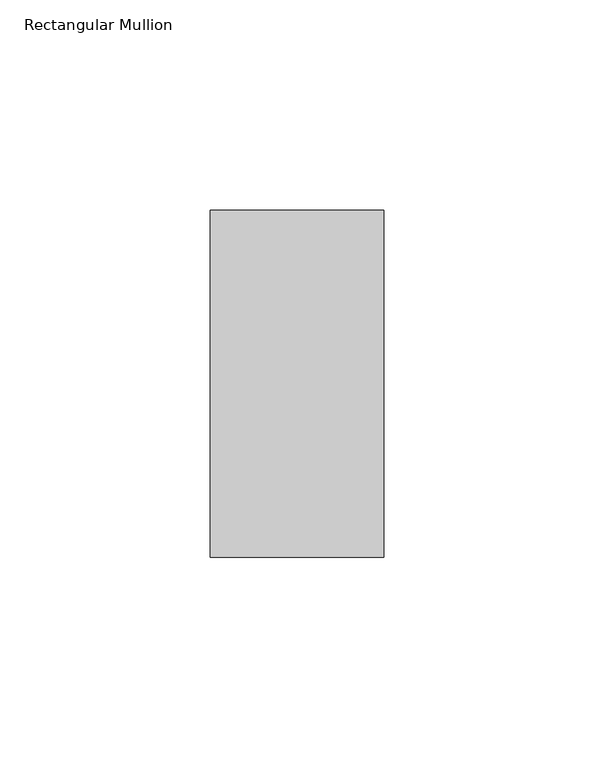
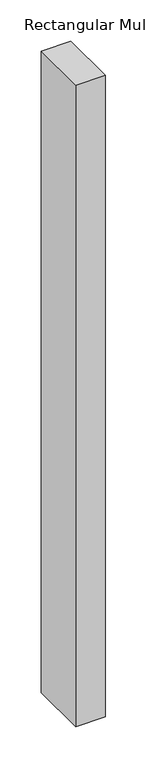
"""IFC4 building model written with IfcOpenShell, lengths in millimetres: member geometry, Rectangular Mullion."""

from ifc_helpers import new_model, si_unit, frame, origin, place, context, project, spatial, polyline, outline, extrude, source, transform, mapped, element, save


def rectangular_mullion_4cf072aa(model_context):
    return source(origin(), model_context, "Body", "SweptSolid", [
        extrude(outline(polyline([(0.0, -73.025), (-41.275, -73.025), (-41.275, 9.525), (0.0, 9.525), (0.0, -73.025)])), frame((0.0, 0.0, -946.15), z_axis=(0.0, 0.0, 1.0), x_axis=(1.0, 0.0, 0.0)), (0.0, 0.0, 1.0), 946.15),
    ])


if __name__ == "__main__":
    model = new_model("IFC4")
    model_context = context("Model", 3, world=origin())
    ifc_project = project(units=[si_unit("LENGTHUNIT", "METRE", prefix="MILLI")], contexts=[model_context])
    site = spatial("IfcSite", under=ifc_project)
    building = spatial("IfcBuilding", under=site)
    placement = place(None, origin())
    rectangular_mullion_shape = rectangular_mullion_4cf072aa(model_context)
    element("IfcMember", 1, ObjectType="Rectangular Mullion", at=placement, inside=building, context=model_context, shape_type="MappedRepresentation", body=[
        mapped(rectangular_mullion_shape, transform((0.0, 0.0, 0.0), x_axis=(1.0, 0.0, 0.0), y_axis=(0.0, 1.0, 0.0), z_axis=(0.0, 0.0, 1.0))),
    ])
    save(model, "model.ifc")
